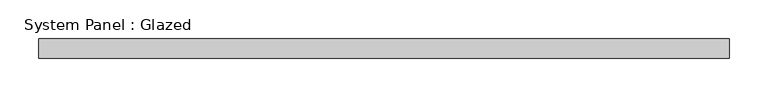
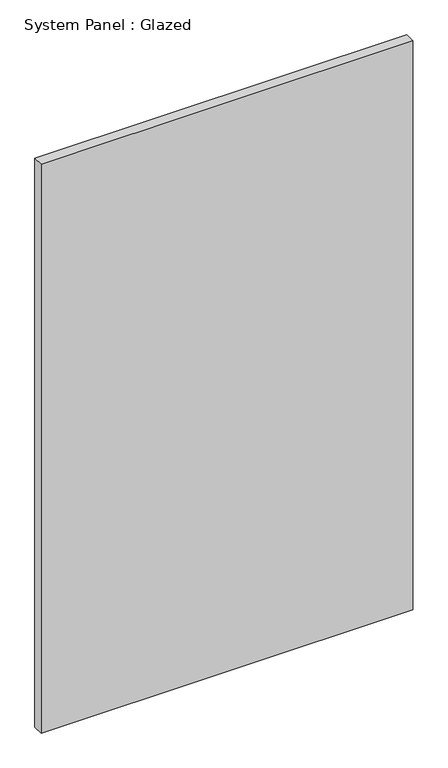
"""IFC4 building model written with IfcOpenShell, lengths in millimetres: plate geometry, System Panel : Glazed."""

import ifcopenshell
import ifcopenshell.guid

model = None  # the IFC model being written
_history = None  # IfcOwnerHistory: only IFC2X3 demands one
_inside = {}  # id of a spatial element -> (the spatial element, [elements in it])
_under = {}  # id of a project, library or spatial element -> (it, [spatial elements below it])
_declared = {}  # id of a project -> (the project, [libraries it declares])
_typed = {}  # id of a type object -> (the type object, [elements of that type])
_made_of = {}  # id of a material, layer set ... -> (it, [elements and type objects made of it])


def new_model(schema):
    """Start an empty IFC model of exactly this schema.

    Asked for "IFC4X3", IfcOpenShell would pick the latest addendum, in which some entities
    have other attributes; the version numbers below select the first issue.
    IFC2X3 requires an IfcOwnerHistory on every rooted entity: one is made here for all.
    """
    global model, _history
    if schema == "IFC4X3":
        model = ifcopenshell.file(schema_version=(4, 3, 0, 0))
    else:
        model = ifcopenshell.file(schema=schema)
    _inside.clear()
    _under.clear()
    _declared.clear()
    _typed.clear()
    _made_of.clear()
    _history = None
    if model.schema == "IFC2X3":
        org = make("IfcOrganization", Name="unknown")
        user = make(
            "IfcPersonAndOrganization",
            ThePerson=make("IfcPerson", FamilyName="unknown"),
            TheOrganization=org,
        )
        app = make(
            "IfcApplication",
            ApplicationDeveloper=org,
            Version="unknown",
            ApplicationFullName="unknown",
            ApplicationIdentifier="unknown",
        )
        _history = make(
            "IfcOwnerHistory",
            OwningUser=user,
            OwningApplication=app,
            ChangeAction="ADDED",
            CreationDate=0,
        )
    return model


def make(cls, **values):
    """One entity of the class cls with the attributes given. An attribute that is None is left unset."""
    return model.create_entity(
        cls, **{name: value for name, value in values.items() if value is not None}
    )


def rooted(cls, **values):
    """An entity with a GlobalId (a new one), such as an element, a storey or a relation."""
    return make(cls, GlobalId=ifcopenshell.guid.new(), OwnerHistory=_history, **values)


def si_unit(unit_type, name, prefix=None):
    """IfcSIUnit, for example si_unit("LENGTHUNIT", "METRE", prefix="MILLI")."""
    return make("IfcSIUnit", UnitType=unit_type, Prefix=prefix, Name=name)


def assignment(units):
    """IfcUnitAssignment: the units of a project."""
    return None if units is None else make("IfcUnitAssignment", Units=units)


def point(xyz):
    """IfcCartesianPoint."""
    return None if xyz is None else make("IfcCartesianPoint", Coordinates=xyz)


def direction(xyz):
    """IfcDirection."""
    return None if xyz is None else make("IfcDirection", DirectionRatios=xyz)


def frame(location, z_axis=None, x_axis=None):
    """IfcAxis2Placement3D, a coordinate frame: its origin and axes. An axis left out is left unset."""
    return make(
        "IfcAxis2Placement3D",
        Location=point(location),
        Axis=direction(z_axis),
        RefDirection=direction(x_axis),
    )


def origin():
    """The frame at (0, 0, 0) with its axes left unset."""
    return frame((0.0, 0.0, 0.0))


def origin_with_axes():
    """The frame at (0, 0, 0) with the z axis (0, 0, 1) and the x axis (1, 0, 0) written out."""
    return frame((0.0, 0.0, 0.0), z_axis=(0.0, 0.0, 1.0), x_axis=(1.0, 0.0, 0.0))


def place(relative_to, where):
    """IfcLocalPlacement: puts the frame where relative to a parent placement (None: the world)."""
    return make(
        "IfcLocalPlacement", PlacementRelTo=relative_to, RelativePlacement=where
    )


def context(
    kind, dimensions, precision=None, world=None, true_north=None, identifier=None
):
    """IfcGeometricRepresentationContext, for example the 3D "Model" context."""
    return make(
        "IfcGeometricRepresentationContext",
        ContextIdentifier=identifier,
        ContextType=kind,
        CoordinateSpaceDimension=dimensions,
        Precision=precision,
        WorldCoordinateSystem=world,
        TrueNorth=true_north,
    )


def project(units=None, contexts=None):
    """IfcProject with its units and contexts."""
    return rooted(
        "IfcProject",
        Name="project",
        RepresentationContexts=contexts,
        UnitsInContext=assignment(units),
    )


def spatial(cls, under=None, at=None, **own):
    """A site, building, storey or space (cls), placed at a placement, below another one or the project."""
    s = rooted(cls, ObjectPlacement=at, **own)
    if under is not None:
        _under.setdefault(under.id(), (under, []))[1].append(s)
    return s


def polyline(points):
    """IfcPolyline through the points."""
    return make("IfcPolyline", Points=[point(p) for p in points])


def outline(outer, holes=None, kind="AREA"):
    """IfcArbitraryClosedProfileDef: a profile drawn as a closed curve; with holes, ...WithVoids."""
    if holes is None:
        return make("IfcArbitraryClosedProfileDef", ProfileType=kind, OuterCurve=outer)
    return make(
        "IfcArbitraryProfileDefWithVoids",
        ProfileType=kind,
        OuterCurve=outer,
        InnerCurves=holes,
    )


def extrude(swept, where, along, depth):
    """IfcExtrudedAreaSolid: the profile swept, set in the frame where, extruded along a direction by depth."""
    return make(
        "IfcExtrudedAreaSolid",
        SweptArea=swept,
        Position=where,
        ExtrudedDirection=direction(along),
        Depth=depth,
    )


def shape(context_of_items, identifier, shape_type, items):
    """IfcShapeRepresentation: the items that make up one representation, for example the "Body"."""
    return make(
        "IfcShapeRepresentation",
        ContextOfItems=context_of_items,
        RepresentationIdentifier=identifier,
        RepresentationType=shape_type,
        Items=items,
    )


def source(mapping_origin, context_of_items, identifier, shape_type, items):
    """IfcRepresentationMap: a shape defined once, which mapped items show again and again."""
    return make(
        "IfcRepresentationMap",
        MappingOrigin=mapping_origin,
        MappedRepresentation=shape(context_of_items, identifier, shape_type, items),
    )


def transform(
    local_origin,
    x_axis=None,
    y_axis=None,
    z_axis=None,
    scale=None,
    scale2=None,
    scale3=None,
    uniform=True,
):
    """IfcCartesianTransformationOperator3D, or its non-uniform kind. x_axis, y_axis, z_axis: its Axis1, 2, 3."""
    if uniform:
        return make(
            "IfcCartesianTransformationOperator3D",
            Axis1=direction(x_axis),
            Axis2=direction(y_axis),
            LocalOrigin=point(local_origin),
            Scale=scale,
            Axis3=direction(z_axis),
        )
    return make(
        "IfcCartesianTransformationOperator3DnonUniform",
        Axis1=direction(x_axis),
        Axis2=direction(y_axis),
        LocalOrigin=point(local_origin),
        Scale=scale,
        Axis3=direction(z_axis),
        Scale2=scale2,
        Scale3=scale3,
    )


def mapped(mapping_source, mapping_target):
    """IfcMappedItem: shows the shape of a source again, moved by a transform."""
    return make(
        "IfcMappedItem", MappingSource=mapping_source, MappingTarget=mapping_target
    )


def made_of(thing, what):
    """Note that an element or type object is made of a material, layer set ...; save() writes the relation."""
    if what is not None:
        _made_of.setdefault(what.id(), (what, []))[1].append(thing)
    return thing


def element(
    cls,
    number,
    at=None,
    inside=None,
    cuts=None,
    type_object=None,
    material=None,
    context=None,
    identifier="Body",
    shape_type=None,
    held_by="IfcProductDefinitionShape",
    body=None,
    shapes=None,
    **own,
):
    """One element of the class cls, such as IfcWall. Its Tag is "e" and its number.

    at: its placement. inside: the storey or other place that contains it. cuts: it is an
    opening in that element (IfcRelVoidsElement). A single representation is given by context,
    identifier, shape_type and body (its items); several are given by shapes. held_by: the class
    of the entity that holds the representations. save() writes the other relations.
    """
    e = rooted(cls, Tag="e%d" % number, ObjectPlacement=at, **own)
    if body is not None:
        shapes = [shape(context, identifier, shape_type, body)]
    if shapes is not None:
        e.Representation = make(held_by, Representations=shapes)
    if inside is not None:
        _inside.setdefault(inside.id(), (inside, []))[1].append(e)
    if cuts is not None:
        rooted(
            "IfcRelVoidsElement", RelatingBuildingElement=cuts, RelatedOpeningElement=e
        )
    if type_object is not None:
        _typed.setdefault(type_object.id(), (type_object, []))[1].append(e)
    return made_of(e, material)


def aggregate(whole, parts):
    """IfcRelAggregates: a whole, such as a stair, and the parts it consists of."""
    return rooted("IfcRelAggregates", RelatingObject=whole, RelatedObjects=parts)


def save(model, path):
    """Write the relations noted so far, then the file.

    IfcRelAggregates (storeys below a building ...), IfcRelContainedInSpatialStructure (elements
    in a storey), IfcRelDefinesByType, IfcRelAssociatesMaterial and IfcRelDeclares: one each for
    every whole, place, type object, material and project.
    """
    for whole, parts in _under.values():
        aggregate(whole, parts)
    for where, things in _inside.values():
        rooted(
            "IfcRelContainedInSpatialStructure",
            RelatedElements=things,
            RelatingStructure=where,
        )
    for kind, things in _typed.values():
        rooted("IfcRelDefinesByType", RelatedObjects=things, RelatingType=kind)
    for what, things in _made_of.values():
        rooted("IfcRelAssociatesMaterial", RelatedObjects=things, RelatingMaterial=what)
    for by, libraries in _declared.values():
        rooted("IfcRelDeclares", RelatingContext=by, RelatedDefinitions=libraries)
    model.write(path)


def system_panel_glazed_875c4a65(model_context):
    return source(origin(), model_context, "Body", "SweptSolid", [
        extrude(outline(polyline([(447.6609975, -44.45), (-447.6609975, -44.45), (-447.6609975, -19.05), (447.6609975, -19.05), (447.6609975, -44.45)])), origin_with_axes(), (0.0, 0.0, 1.0), 1447.8),
    ])


if __name__ == "__main__":
    model = new_model("IFC4")
    model_context = context("Model", 3, world=origin())
    ifc_project = project(units=[si_unit("LENGTHUNIT", "METRE", prefix="MILLI")], contexts=[model_context])
    site = spatial("IfcSite", under=ifc_project)
    building = spatial("IfcBuilding", under=site)
    placement = place(None, origin())
    system_panel_glazed_shape = system_panel_glazed_875c4a65(model_context)
    element("IfcPlate", 1, ObjectType="System Panel : Glazed", at=placement, inside=building, context=model_context, shape_type="MappedRepresentation", body=[
        mapped(system_panel_glazed_shape, transform((0.0, 0.0, 0.0), x_axis=(1.0, 0.0, 0.0), y_axis=(0.0, 1.0, 0.0), z_axis=(0.0, 0.0, 1.0))),
    ])
    save(model, "model.ifc")
